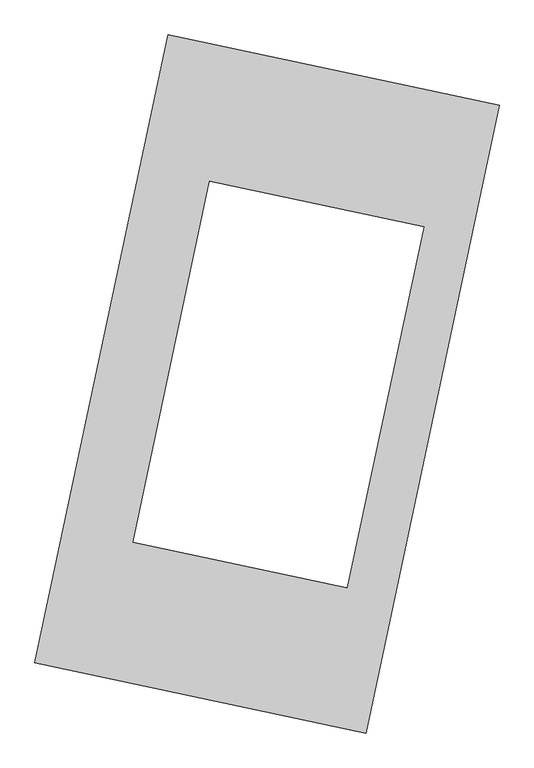
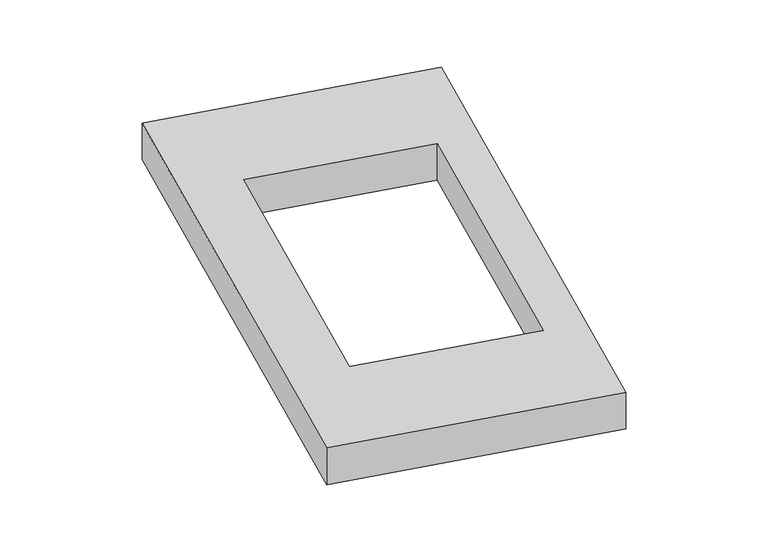
"""IFC4 building model written with IfcOpenShell, lengths in millimetres: proxy geometry."""

from ifc_helpers import new_model, si_unit, origin, origin_with_axes, place, context, project, spatial, polyline, outline, extrude, source, transform, mapped, element, save


def generic_models_e04d449e(model_context):
    return source(origin(), model_context, "Body", "SweptSolid", [
        extrude(outline(polyline([(-617.3692021, 2175.5580432), (1447.7508745, 1737.3010494), (617.3692021, -2175.5580432), (-1447.7508745, -1737.3010494), (-617.3692021, 2175.5580432)]), holes=[polyline([(977.535087, 980.6696753), (-356.9899908, 1263.8807851), (-834.5450806, -986.4166835), (499.9799972, -1269.6277933), (977.535087, 980.6696753)])]), origin_with_axes(), (0.0, 0.0, 1.0), 300.0),
    ])


if __name__ == "__main__":
    model = new_model("IFC4")
    model_context = context("Model", 3, world=origin())
    ifc_project = project(units=[si_unit("LENGTHUNIT", "METRE", prefix="MILLI")], contexts=[model_context])
    site = spatial("IfcSite", under=ifc_project)
    building = spatial("IfcBuilding", under=site)
    placement = place(None, origin())
    generic_models_shape = generic_models_e04d449e(model_context)
    element("IfcBuildingElementProxy", 1, Name="Generic Models", at=placement, inside=building, context=model_context, shape_type="MappedRepresentation", body=[
        mapped(generic_models_shape, transform((0.0, 0.0, 0.0), x_axis=(1.0, 0.0, 0.0), y_axis=(0.0, 1.0, 0.0), z_axis=(0.0, 0.0, 1.0))),
    ])
    save(model, "model.ifc")
